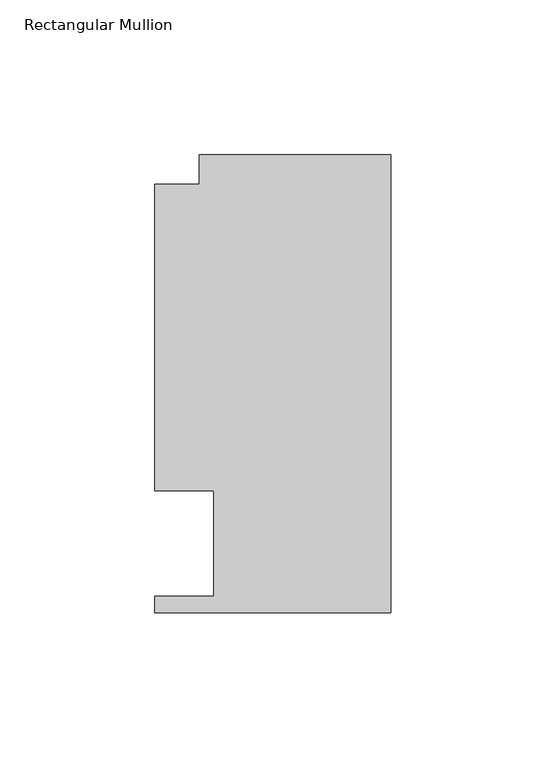
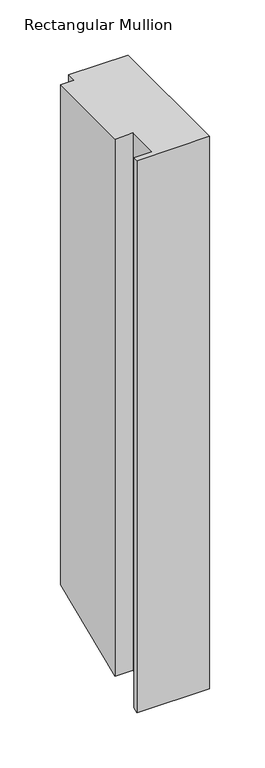
"""IFC4 building model written with IfcOpenShell, lengths in millimetres: member geometry, Rectangular Mullion."""

from ifc_helpers import new_model, si_unit, origin, place, context, project, spatial, faceted_brep, source, transform, mapped, element, save


def rectangular_mullion_42c79b22(model_context):
    return source(origin(), model_context, "Body", "Brep", [
        faceted_brep([(-61.9124999, 147.847839, 0.0), (-61.9124999, 138.322839, 0.0), (-76.1999999, 138.322839, 0.0), (-76.1999999, 39.3898438, 0.0), (-57.1499999, 39.3898438, 0.0), (-57.1499999, 5.353839, 0.0), (-76.2, 5.353839, 0.0), (-76.2, 0.019839, 0.0), (0.0, 0.019839, 0.0), (0.0, 147.847839, 0.0), (-61.9124999, 147.847839, -548.346753), (-61.9124999, 138.322839, -552.2921371), (-76.1999999, 138.322839, -552.2921371), (-76.1999999, 39.3898438, -593.2715255), (-57.1499999, 39.3898438, -593.2715255), (-57.1499999, 5.353839, -607.3697003), (-76.2, 5.353839, -607.3697003), (-76.2, 0.019839, -609.5791155), (0.0, 0.019839, -609.5791155), (0.0, 147.847839, -548.346753)], [[[0, 1, 2, 3, 4, 5, 6, 7, 8, 9]], [[1, 0, 10, 11]], [[2, 1, 11, 12]], [[3, 2, 12, 13]], [[4, 3, 13, 14]], [[5, 4, 14, 15]], [[6, 5, 15, 16]], [[7, 6, 16, 17]], [[8, 7, 17, 18]], [[9, 8, 18, 19]], [[0, 9, 19, 10]], [[10, 19, 18, 17, 16, 15, 14, 13, 12, 11]]]),
    ])


if __name__ == "__main__":
    model = new_model("IFC4")
    model_context = context("Model", 3, world=origin())
    ifc_project = project(units=[si_unit("LENGTHUNIT", "METRE", prefix="MILLI")], contexts=[model_context])
    site = spatial("IfcSite", under=ifc_project)
    building = spatial("IfcBuilding", under=site)
    placement = place(None, origin())
    rectangular_mullion_shape = rectangular_mullion_42c79b22(model_context)
    element("IfcMember", 1, ObjectType="Rectangular Mullion", at=placement, inside=building, context=model_context, shape_type="MappedRepresentation", body=[
        mapped(rectangular_mullion_shape, transform((0.0, 0.0, 0.0), x_axis=(1.0, 0.0, 0.0), y_axis=(0.0, 1.0, 0.0), z_axis=(0.0, 0.0, 1.0))),
    ])
    save(model, "model.ifc")
